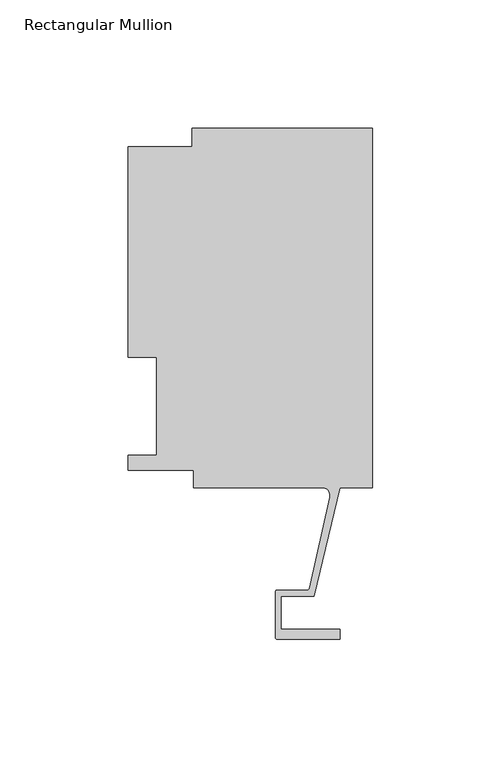
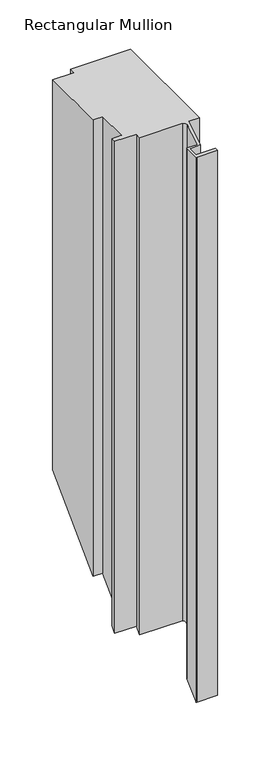
"""IFC4 building model written with IfcOpenShell, lengths in millimetres: member geometry, Rectangular Mullion."""

from ifc_helpers import new_model, si_unit, frame, origin, place, context, project, spatial, polyline, circle_curve, ellipse_curve, source, transform, mapped, element, save
from ifc_brep_helpers import plane_surface, cylinder_surface, revolved_surface, advanced_brep


def rectangular_mullion_4929f8f6(model_context):
    return source(origin(), model_context, "Body", "AdvancedBrep", [
        advanced_brep(
        [(-70.3072, 133.731, 0.0), (-70.3072, 126.619, 0.0), (-95.25, 126.619, 0.0), (-95.25, 44.45, 0.0), (-84.1375, 44.45, 0.0), (-84.1375, 6.35, 0.0), (-95.25, 6.35, 0.0), (-95.25, 0.4064, 0.0), (-69.85, 0.4064, 0.0), (-69.85, -6.2260979, 0.0), (-19.681515, -6.2260979, 0.0), (-16.585275, -10.1038947, 0.0), (-24.6514289, -45.6401264, 0.0), (-25.3893173, -46.2119562, 0.0), (-37.0958677, -46.2119562, 0.0), (-37.8578677, -46.9739562, 0.0), (-37.8578677, -64.6065977, 0.0), (-37.0704677, -65.3939977, 0.0), (-12.7611926, -65.3939977, 0.0), (-12.7611926, -61.4061977, 0.0), (-35.5718677, -61.4061977, 0.0), (-35.5718677, -48.4979562, 0.0), (-22.7594087, -48.4979562, 0.0), (-12.7, -6.2260967, 0.0), (0.0, -6.2260967, 0.0), (0.0, 133.731, 0.0), (-70.3072, 133.731, -475.869), (-70.3072, 126.619, -482.981), (-95.25, 126.619, -482.981), (-95.25, 44.45, -565.15), (-84.1375, 44.45, -565.15), (-84.1375, 6.35, -603.25), (-95.25, 6.35, -603.25), (-95.25, 0.4064, -609.1936), (-69.85, 0.4064, -609.1936), (-69.85, -6.2260979, -615.8260979), (-19.681515, -6.2260979, -615.8260979), (-16.585275, -10.1038947, -619.7038947), (-24.6514289, -45.6401264, -655.2401264), (-25.3893173, -46.2119562, -655.8119562), (-37.0958677, -46.2119562, -655.8119562), (-37.8578677, -46.9739562, -656.5739562), (-37.8578677, -64.6065977, -674.2065977), (-37.0704677, -65.3939977, -674.9939977), (-12.7611926, -65.3939977, -674.9939977), (-12.7611926, -61.4061977, -671.0061977), (-35.5718677, -61.4061977, -671.0061977), (-35.5718677, -48.4979562, -658.0979562), (-22.7594087, -48.4979562, -658.0979562), (-12.7, -6.2260967, -615.8260967), (0.0, -6.2260967, -615.8260967), (0.0, 133.731, -475.869)],
        [
            (0, 1),
            (1, 2),
            (2, 3),
            (3, 4),
            (4, 5),
            (5, 6),
            (6, 7),
            (7, 8),
            (8, 9),
            (9, 10),
            (10, 11, circle_curve(frame((-19.681515, -9.4010979, 0.0), z_axis=(0.0, 0.0, -1.0), x_axis=(0.0, 1.0, 0.0)), 3.175)),
            (11, 12),
            (12, 13, circle_curve(frame((-25.3679884, -45.4774789, 0.0), z_axis=(0.0, 0.0, -1.0), x_axis=(0.0, 1.0, 0.0)), 0.7347869)),
            (13, 14),
            (14, 15, circle_curve(frame((-37.0958677, -46.9739562, 0.0), z_axis=(0.0, 0.0, 1.0), x_axis=(0.0, 1.0, 0.0)), 0.762)),
            (15, 16),
            (16, 17, circle_curve(frame((-37.0704677, -64.6065977, 0.0), z_axis=(0.0, 0.0, 1.0), x_axis=(0.0, 1.0, 0.0)), 0.7874)),
            (17, 18),
            (18, 19),
            (19, 20),
            (20, 21),
            (21, 22),
            (22, 23),
            (23, 24),
            (24, 25),
            (25, 0),
            (0, 26),
            (26, 27),
            (27, 1),
            (27, 28),
            (28, 2),
            (28, 29),
            (29, 3),
            (29, 30),
            (30, 4),
            (30, 31),
            (31, 5),
            (31, 32),
            (32, 6),
            (32, 33),
            (33, 7),
            (33, 34),
            (34, 8),
            (34, 35),
            (35, 9),
            (35, 36),
            (36, 10),
            (36, 37, ellipse_curve(frame((-19.681515, -9.4010979, -619.0010979), z_axis=(0.0, 0.7071067811865479, -0.7071067811865471), x_axis=(0.0, -0.7071067811865471, -0.7071067811865479)), 4.4901281, 3.175)),
            (37, 11),
            (37, 38),
            (38, 12),
            (38, 39, ellipse_curve(frame((-25.3679884, -45.4774789, -655.0774789), z_axis=(0.0, 0.7071067811865479, -0.7071067811865471), x_axis=(0.0, -0.7071067811865471, -0.7071067811865479)), 1.0391456, 0.7347869)),
            (39, 13),
            (39, 40),
            (40, 14),
            (40, 41, ellipse_curve(frame((-37.0958677, -46.9739562, -656.5739562), z_axis=(0.0, -0.7071067811865479, 0.7071067811865471), x_axis=(0.0, 0.7071067811865471, 0.7071067811865479)), 1.0776307, 0.762)),
            (41, 15),
            (41, 42),
            (42, 16),
            (42, 43, ellipse_curve(frame((-37.0704677, -64.6065977, -674.2065977), z_axis=(0.0, -0.7071067811865479, 0.7071067811865471), x_axis=(0.0, 0.7071067811865471, 0.7071067811865479)), 1.1135518, 0.7874)),
            (43, 17),
            (43, 44),
            (44, 18),
            (44, 45),
            (45, 19),
            (45, 46),
            (46, 20),
            (46, 47),
            (47, 21),
            (47, 48),
            (48, 22),
            (48, 49),
            (49, 23),
            (49, 50),
            (50, 24),
            (50, 51),
            (51, 25),
            (51, 26),
        ],
        [
            plane_surface(frame((0.0, -158.4453649, 0.0), z_axis=(0.0, 0.0, 1.0), x_axis=(-1.0, 0.0, 0.0))),
            plane_surface(frame((-70.3072, 133.731, 0.0), z_axis=(-1.0, 0.0, 0.0), x_axis=(0.0, 0.0, -1.0))),
            plane_surface(frame((-70.3072, 126.619, 0.0), z_axis=(0.0, 1.0, 0.0), x_axis=(0.0, 0.0, -1.0))),
            plane_surface(frame((-95.25, 126.619, 0.0), z_axis=(-1.0, 0.0, 0.0), x_axis=(0.0, 0.0, -1.0))),
            plane_surface(frame((-95.25, 44.45, 0.0), z_axis=(0.0, -1.0, 0.0), x_axis=(0.0, 0.0, -1.0))),
            plane_surface(frame((-84.1375, 44.45, 0.0), z_axis=(-1.0, 0.0, 0.0), x_axis=(0.0, 0.0, -1.0))),
            plane_surface(frame((-84.1375, 6.35, 0.0), z_axis=(0.0, 1.0, 0.0), x_axis=(0.0, 0.0, -1.0))),
            plane_surface(frame((-95.25, 6.35, 0.0), z_axis=(-1.0, 0.0, 0.0), x_axis=(0.0, 0.0, -1.0))),
            plane_surface(frame((-95.25, 0.4064, 0.0), z_axis=(0.0, -1.0, 0.0), x_axis=(0.0, 0.0, -1.0))),
            plane_surface(frame((-69.85, 0.4064, 0.0), z_axis=(-1.0, 0.0, 0.0), x_axis=(0.0, 0.0, -1.0))),
            plane_surface(frame((-69.85, -6.2260979, 0.0), z_axis=(0.0, -1.0, 0.0), x_axis=(0.0, 0.0, -1.0))),
            revolved_surface(polyline([(-19.681515, -6.2260979, -622.1760979279063), (-19.681515, -6.2260979, 0.0)]), (-19.681515, -9.4010979, 0.0), (0.0, 0.0, -1.0)),
            plane_surface(frame((-16.585275, -10.1038947, 0.0), z_axis=(-0.9751936808086203, 0.22135330336576153, 0.0), x_axis=(0.0, 0.0, -1.0))),
            revolved_surface(polyline([(-25.3679884, -44.742692, -655.8122658004002), (-25.3679884, -44.742692, 0.0)]), (-25.3679884, -45.4774789, 0.0), (0.0, 0.0, -1.0)),
            plane_surface(frame((-25.3893173, -46.2119562, 0.0), z_axis=(0.0, 1.0, 0.0), x_axis=(0.0, 0.0, -1.0))),
            cylinder_surface(frame((-37.0958677, -46.9739562, 0.0), z_axis=(0.0, 0.0, 1.0), x_axis=(0.0, 1.0, 0.0)), 0.762),
            plane_surface(frame((-37.8578677, -46.9739562, 0.0), z_axis=(-1.0, 0.0, 0.0), x_axis=(0.0, 0.0, -1.0))),
            cylinder_surface(frame((-37.0704677, -64.6065977, 0.0), z_axis=(0.0, 0.0, 1.0), x_axis=(0.0, 1.0, 0.0)), 0.7874),
            plane_surface(frame((-37.0704677, -65.3939977, 0.0), z_axis=(0.0, -1.0, 0.0), x_axis=(0.0, 0.0, -1.0))),
            plane_surface(frame((-12.7611926, -65.3939977, 0.0), z_axis=(1.0, 0.0, 0.0), x_axis=(0.0, 0.0, -1.0))),
            plane_surface(frame((-12.7611926, -61.4061977, 0.0), z_axis=(0.0, 1.0, 0.0), x_axis=(0.0, 0.0, -1.0))),
            plane_surface(frame((-35.5718677, -61.4061977, 0.0), z_axis=(1.0, 0.0, 0.0), x_axis=(0.0, 0.0, -1.0))),
            plane_surface(frame((-35.5718677, -48.4979562, 0.0), z_axis=(0.0, -1.0, 0.0), x_axis=(0.0, 0.0, -1.0))),
            plane_surface(frame((-22.7594087, -48.4979562, 0.0), z_axis=(0.972833793207084, -0.23150466689532792, 0.0), x_axis=(0.0, 0.0, -1.0))),
            plane_surface(frame((-12.7, -6.2260967, 0.0), z_axis=(0.0, -1.0, 0.0), x_axis=(0.0, 0.0, -1.0))),
            plane_surface(frame((0.0, -6.2260967, 0.0), z_axis=(1.0, 0.0, 0.0), x_axis=(0.0, 0.0, -1.0))),
            plane_surface(frame((0.0, 133.731, 0.0), z_axis=(0.0, 1.0, 0.0), x_axis=(0.0, 0.0, -1.0))),
            plane_surface(frame((-304.8, 0.0, -609.6), z_axis=(0.0, 0.7071067811865479, -0.7071067811865471), x_axis=(0.0, 0.7071067811865471, 0.7071067811865479))),
        ],
        [
            (0, [[1, 2, 3, 4, 5, 6, 7, 8, 9, 10, 11, 12, 13, 14, 15, 16, 17, 18, 19, 20, 21, 22, 23, 24, 25, 26]]),
            (1, [[-1, 27, 28, 29]]),
            (2, [[-2, -29, 30, 31]]),
            (3, [[-3, -31, 32, 33]]),
            (4, [[-4, -33, 34, 35]]),
            (5, [[-5, -35, 36, 37]]),
            (6, [[-6, -37, 38, 39]]),
            (7, [[-7, -39, 40, 41]]),
            (8, [[-8, -41, 42, 43]]),
            (9, [[-9, -43, 44, 45]]),
            (10, [[-10, -45, 46, 47]]),
            (11, [[-11, -47, 48, 49]]),
            (12, [[-12, -49, 50, 51]]),
            (13, [[-13, -51, 52, 53]]),
            (14, [[-14, -53, 54, 55]]),
            (15, [[-15, -55, 56, 57]]),
            (16, [[-16, -57, 58, 59]]),
            (17, [[-17, -59, 60, 61]]),
            (18, [[-18, -61, 62, 63]]),
            (19, [[-19, -63, 64, 65]]),
            (20, [[-20, -65, 66, 67]]),
            (21, [[-21, -67, 68, 69]]),
            (22, [[-22, -69, 70, 71]]),
            (23, [[-23, -71, 72, 73]]),
            (24, [[-24, -73, 74, 75]]),
            (25, [[-25, -75, 76, 77]]),
            (26, [[-26, -77, 78, -27]]),
            (27, [[-78, -76, -74, -72, -70, -68, -66, -64, -62, -60, -58, -56, -54, -52, -50, -48, -46, -44, -42, -40, -38, -36, -34, -32, -30, -28]]),
        ],
    ),
    ])


if __name__ == "__main__":
    model = new_model("IFC4")
    model_context = context("Model", 3, world=origin())
    ifc_project = project(units=[si_unit("LENGTHUNIT", "METRE", prefix="MILLI")], contexts=[model_context])
    site = spatial("IfcSite", under=ifc_project)
    building = spatial("IfcBuilding", under=site)
    placement = place(None, origin())
    rectangular_mullion_shape = rectangular_mullion_4929f8f6(model_context)
    element("IfcMember", 1, ObjectType="Rectangular Mullion", at=placement, inside=building, context=model_context, shape_type="MappedRepresentation", body=[
        mapped(rectangular_mullion_shape, transform((0.0, 0.0, 0.0), x_axis=(1.0, 0.0, 0.0), y_axis=(0.0, 1.0, 0.0), z_axis=(0.0, 0.0, 1.0))),
    ])
    save(model, "model.ifc")
